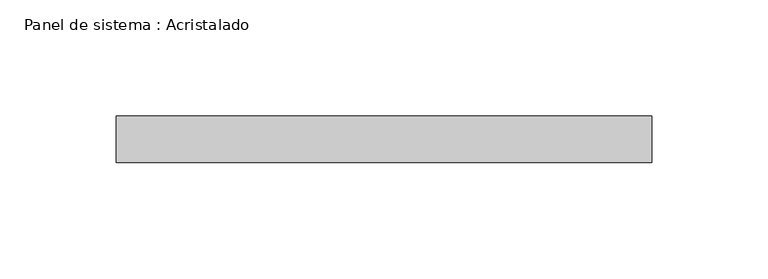
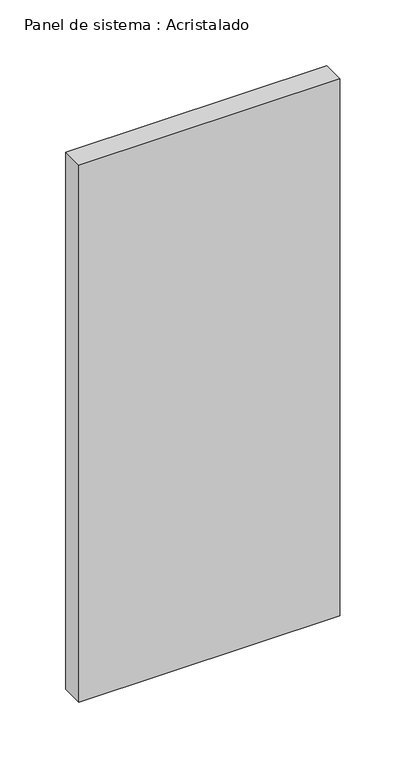
"""IFC4 building model written with IfcOpenShell, lengths in millimetres: plate geometry, Panel de sistema : Acristalado."""

from ifc_helpers import new_model, si_unit, origin, origin_with_axes, place, context, project, spatial, polyline, outline, extrude, source, transform, mapped, element, save


def panel_de_sistema_acristalado_b7b925e3(model_context):
    return source(origin(), model_context, "Body", "SweptSolid", [
        extrude(outline(polyline([(115.0, -10.0), (-115.0, -10.0), (-115.0, 10.0), (115.0, 10.0), (115.0, -10.0)])), origin_with_axes(), (0.0, 0.0, 1.0), 500.0),
    ])


if __name__ == "__main__":
    model = new_model("IFC4")
    model_context = context("Model", 3, world=origin())
    ifc_project = project(units=[si_unit("LENGTHUNIT", "METRE", prefix="MILLI")], contexts=[model_context])
    site = spatial("IfcSite", under=ifc_project)
    building = spatial("IfcBuilding", under=site)
    placement = place(None, origin())
    panel_de_sistema_acristalado_shape = panel_de_sistema_acristalado_b7b925e3(model_context)
    element("IfcPlate", 1, ObjectType="Panel de sistema : Acristalado", at=placement, inside=building, context=model_context, shape_type="MappedRepresentation", body=[
        mapped(panel_de_sistema_acristalado_shape, transform((0.0, 0.0, 0.0), x_axis=(1.0, 0.0, 0.0), y_axis=(0.0, 1.0, 0.0), z_axis=(0.0, 0.0, 1.0))),
    ])
    save(model, "model.ifc")
